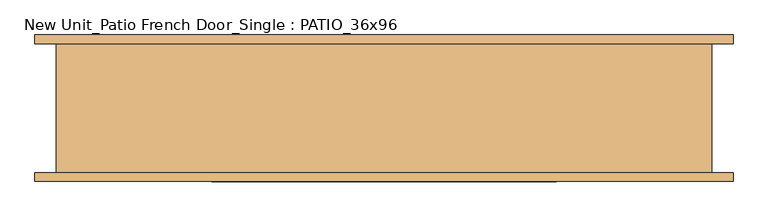
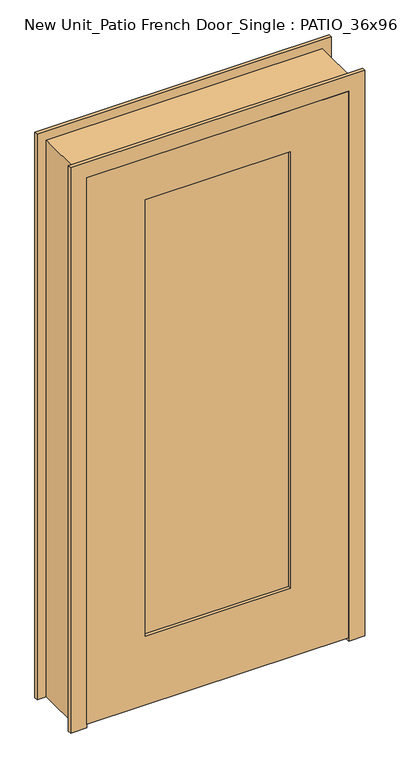
"""IFC4 building model written with IfcOpenShell, lengths in millimetres: door geometry, New Unit_Patio French Door_Single : PATIO_36x96."""

from ifc_helpers import new_model, si_unit, frame, origin, place, context, project, spatial, polyline, outline, extrude, faceted_brep, source, transform, mapped, element, save


def new_unit_patio_french_door_single_patio_36x96_9ee29eb3(model_context):
    return source(origin(), model_context, "Body", "SolidModel", [
        extrude(outline(polyline([(-254.0, -79.375), (-254.0, -66.675), (254.0, -66.675), (254.0, -79.375), (-254.0, -79.375)])), frame((0.0, 0.0, 266.7), z_axis=(0.0, 0.0, 1.0), x_axis=(1.0, 0.0, 0.0)), (0.0, 0.0, 1.0), 1612.9),
        extrude(outline(polyline([(2032.0, 457.2), (2032.0, -457.2), (12.7, -457.2), (12.7, 457.2), (2032.0, 457.2)]), holes=[polyline([(1879.6, -254.0), (1879.6, 254.0), (266.7, 254.0), (266.7, -254.0), (1879.6, -254.0)])]), frame((0.0, -90.4875, 0.0), z_axis=(0.0, 1.0, 0.0), x_axis=(0.0, 0.0, 1.0)), (0.0, 0.0, 1.0), 34.925),
        faceted_brep([(-457.2, -90.4875, 0.0), (-514.35, -90.4875, 0.0), (-514.35, -77.7875, 0.0), (-482.6, -77.7875, 0.0), (-482.6, 112.7125, 0.0), (-514.35, 112.7125, 0.0), (-514.35, 125.4125, 0.0), (-457.2, 125.4125, 0.0), (-457.2, -17.4625, 0.0), (-444.5, -17.4625, 0.0), (-444.5, -55.5625, 0.0), (-457.2, -55.5625, 0.0), (-457.2, -55.5625, 2032.0), (-457.2, -90.4875, 2032.0), (-444.5, -55.5625, 2019.3), (444.5, -55.5625, 2019.3), (444.5, -55.5625, 0.0), (457.2, -55.5625, 0.0), (457.2, -55.5625, 2032.0), (-444.5, -17.4625, 2019.3), (-457.2, -17.4625, 2032.0), (457.2, -17.4625, 2032.0), (457.2, -17.4625, 0.0), (444.5, -17.4625, 0.0), (444.5, -17.4625, 2019.3), (-457.2, 125.4125, 2032.0), (-514.35, 125.4125, 2089.15), (514.35, 125.4125, 2089.15), (514.35, 125.4125, 0.0), (457.2, 125.4125, 0.0), (457.2, 125.4125, 2032.0), (-514.35, 112.7125, 2089.15), (-482.6, 112.7125, 2057.4), (482.6, 112.7125, 2057.4), (482.6, 112.7125, 0.0), (514.35, 112.7125, 0.0), (514.35, 112.7125, 2089.15), (-482.6, -77.7875, 2057.4), (-514.35, -77.7875, 2089.15), (514.35, -77.7875, 2089.15), (514.35, -77.7875, 0.0), (482.6, -77.7875, 0.0), (482.6, -77.7875, 2057.4), (-514.35, -90.4875, 2089.15), (457.2, -90.4875, 2032.0), (457.2, -90.4875, 0.0), (514.35, -90.4875, 0.0), (514.35, -90.4875, 2089.15)], [[[0, 1, 2, 3, 4, 5, 6, 7, 8, 9, 10, 11]], [[11, 12, 13, 0]], [[10, 14, 15, 16, 17, 18, 12, 11]], [[9, 19, 14, 10]], [[8, 20, 21, 22, 23, 24, 19, 9]], [[7, 25, 20, 8]], [[6, 26, 27, 28, 29, 30, 25, 7]], [[5, 31, 26, 6]], [[4, 32, 33, 34, 35, 36, 31, 5]], [[3, 37, 32, 4]], [[2, 38, 39, 40, 41, 42, 37, 3]], [[1, 43, 38, 2]], [[0, 13, 44, 45, 46, 47, 43, 1]], [[12, 18, 44, 13]], [[19, 24, 15, 14]], [[25, 30, 21, 20]], [[31, 36, 27, 26]], [[37, 42, 33, 32]], [[43, 47, 39, 38]], [[45, 17, 16, 23, 22, 29, 28, 35, 34, 41, 40, 46]], [[18, 17, 45, 44]], [[24, 23, 16, 15]], [[30, 29, 22, 21]], [[36, 35, 28, 27]], [[42, 41, 34, 33]], [[47, 46, 40, 39]]]),
    ])


if __name__ == "__main__":
    model = new_model("IFC4")
    model_context = context("Model", 3, world=origin())
    ifc_project = project(units=[si_unit("LENGTHUNIT", "METRE", prefix="MILLI")], contexts=[model_context])
    site = spatial("IfcSite", under=ifc_project)
    building = spatial("IfcBuilding", under=site)
    placement = place(None, origin())
    new_unit_patio_french_door_single_patio_36x96_shape = new_unit_patio_french_door_single_patio_36x96_9ee29eb3(model_context)
    element("IfcDoor", 1, ObjectType="New Unit_Patio French Door_Single : PATIO_36x96", at=placement, inside=building, context=model_context, shape_type="MappedRepresentation", body=[
        mapped(new_unit_patio_french_door_single_patio_36x96_shape, transform((0.0, 0.0, 0.0), x_axis=(1.0, 0.0, 0.0), y_axis=(0.0, 1.0, 0.0), z_axis=(0.0, 0.0, 1.0))),
    ])
    save(model, "model.ifc")
